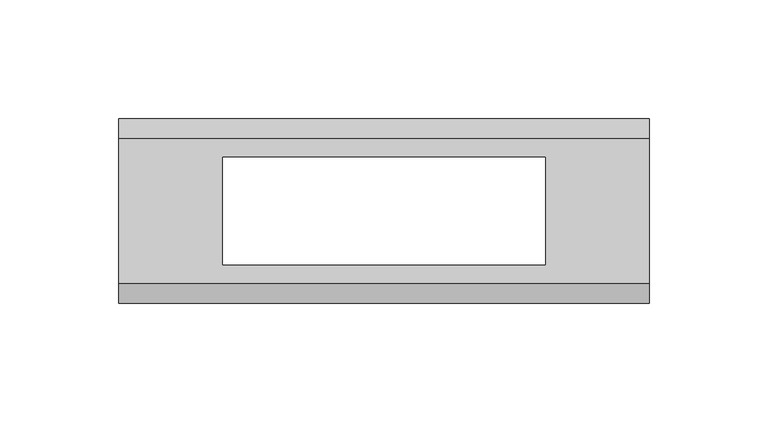
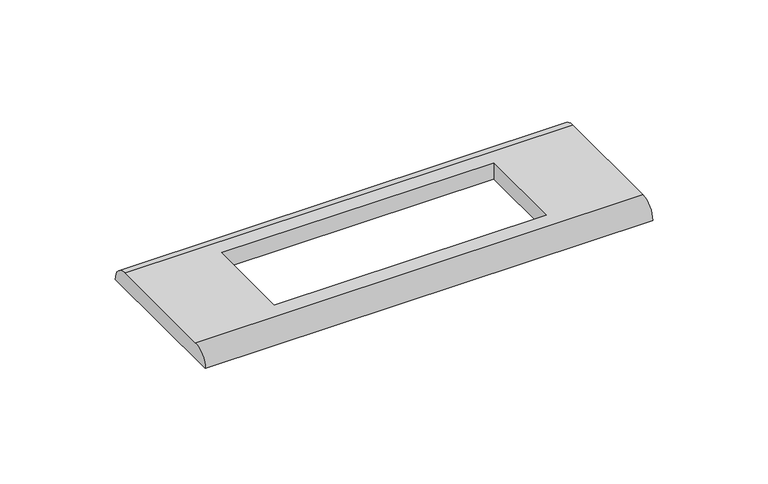
"""IFC4 building model written with IfcOpenShell, lengths in millimetres: proxy geometry."""

from ifc_helpers import new_model, si_unit, frame, origin, place, context, project, spatial, circle_curve, source, transform, mapped, element, save
from ifc_brep_helpers import plane_surface, cylinder_surface, advanced_brep


def electrical_fixtures_1d608c3b(model_context):
    return source(origin(), model_context, "Body", "AdvancedBrep", [
        advanced_brep(
        [(112.0, 30.5, 8.5), (-112.0, 30.5, 8.5), (-112.0, -30.5, 8.5), (112.0, -30.5, 8.5), (-68.0, 22.75, 8.5), (68.0, 22.75, 8.5), (68.0, -22.75, 8.5), (-68.0, -22.75, 8.5), (112.0, 39.0, 0.0), (112.0, -39.0, 0.0), (-112.0, -39.0, 0.0), (-112.0, 39.0, 0.0), (68.0, 22.75, 0.0), (-68.0, 22.75, 0.0), (-68.0, -22.75, 0.0), (68.0, -22.75, 0.0)],
        [
            (0, 1),
            (1, 2),
            (2, 3),
            (3, 0),
            (4, 5),
            (5, 6),
            (6, 7),
            (7, 4),
            (8, 9),
            (9, 10),
            (10, 11),
            (11, 8),
            (12, 13),
            (13, 14),
            (14, 15),
            (15, 12),
            (10, 2, circle_curve(frame((-112.0, -30.5, 0.0), z_axis=(-1.0, 0.0, 0.0), x_axis=(0.0, 1.0, 0.0)), 8.5)),
            (1, 11, circle_curve(frame((-112.0, 30.5, 0.0), z_axis=(-1.0, 0.0, 0.0), x_axis=(0.0, -1.0, 0.0)), 8.5)),
            (8, 0, circle_curve(frame((112.0, 30.5, 0.0), z_axis=(1.0, 0.0, 0.0), x_axis=(0.0, -1.0, 0.0)), 8.5)),
            (3, 9, circle_curve(frame((112.0, -30.5, 0.0), z_axis=(1.0, 0.0, 0.0), x_axis=(0.0, 1.0, 0.0)), 8.5)),
            (4, 13),
            (12, 5),
            (7, 14),
            (6, 15),
        ],
        [
            plane_surface(frame((-112.0, 43.0, 8.5), z_axis=(0.0, 0.0, 1.0), x_axis=(0.0, -1.0, 0.0))),
            plane_surface(frame((-112.0, 43.0, 0.0), z_axis=(0.0, 0.0, -1.0), x_axis=(0.0, 1.0, 0.0))),
            plane_surface(frame((-112.0, 39.0, 8.5), z_axis=(-1.0, 0.0, 0.0), x_axis=(0.0, 0.0, -1.0))),
            plane_surface(frame((112.0, -39.0, 8.5), z_axis=(1.0, 0.0, 0.0), x_axis=(0.0, 0.0, -1.0))),
            plane_surface(frame((68.0, 22.75, 8.5), z_axis=(0.0, -1.0, 0.0), x_axis=(0.0, 0.0, -1.0))),
            plane_surface(frame((-68.0, 22.75, 8.5), z_axis=(1.0, 0.0, 0.0), x_axis=(0.0, 0.0, -1.0))),
            plane_surface(frame((-68.0, -22.75, 8.5), z_axis=(0.0, 1.0, 0.0), x_axis=(0.0, 0.0, -1.0))),
            plane_surface(frame((68.0, -22.75, 8.5), z_axis=(-1.0, 0.0, 0.0), x_axis=(0.0, 0.0, -1.0))),
            cylinder_surface(frame((112.0, 30.5, 0.0), z_axis=(-1.0, 0.0, 0.0), x_axis=(0.0, -1.0, 0.0)), 8.5),
            cylinder_surface(frame((112.0, -30.5, 0.0), z_axis=(-1.0, 0.0, 0.0), x_axis=(0.0, 1.0, 0.0)), 8.5),
        ],
        [
            (0, [[1, 2, 3, 4], [5, 6, 7, 8]]),
            (1, [[9, 10, 11, 12], [13, 14, 15, 16]]),
            (2, [[-11, 17, -2, 18]]),
            (3, [[-9, 19, -4, 20]]),
            (4, [[21, -13, 22, -5]]),
            (5, [[-21, -8, 23, -14]]),
            (6, [[-23, -7, 24, -15]]),
            (7, [[-22, -16, -24, -6]]),
            (8, [[-1, -19, -12, -18]]),
            (9, [[-3, -17, -10, -20]]),
        ],
    ),
    ])


if __name__ == "__main__":
    model = new_model("IFC4")
    model_context = context("Model", 3, world=origin())
    ifc_project = project(units=[si_unit("LENGTHUNIT", "METRE", prefix="MILLI")], contexts=[model_context])
    site = spatial("IfcSite", under=ifc_project)
    building = spatial("IfcBuilding", under=site)
    placement = place(None, origin())
    electrical_fixtures_shape = electrical_fixtures_1d608c3b(model_context)
    element("IfcBuildingElementProxy", 1, Name="Electrical Fixtures", at=placement, inside=building, context=model_context, shape_type="MappedRepresentation", body=[
        mapped(electrical_fixtures_shape, transform((0.0, 0.0, 0.0), x_axis=(1.0, 0.0, 0.0), y_axis=(0.0, 1.0, 0.0), z_axis=(0.0, 0.0, 1.0))),
    ])
    save(model, "model.ifc")
